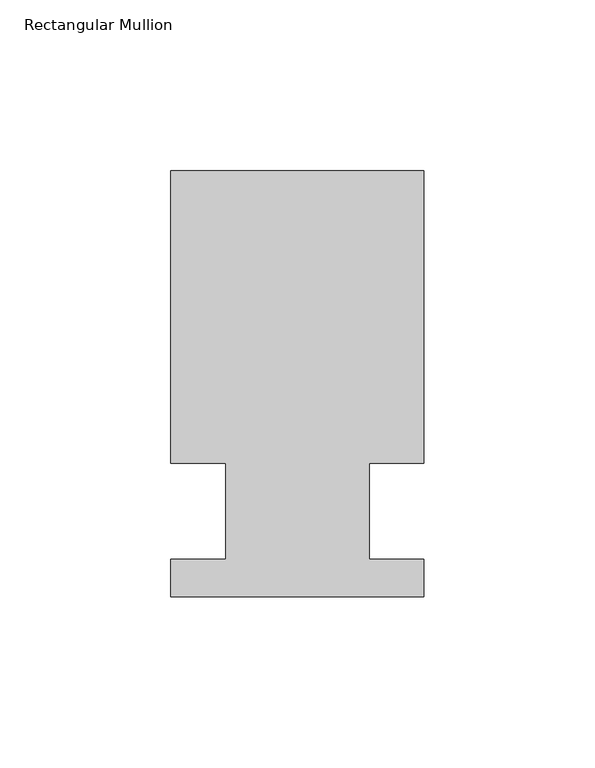
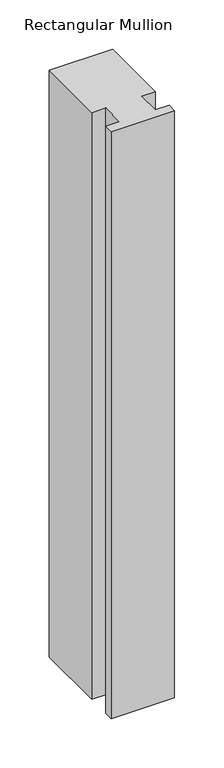
"""IFC4 building model written with IfcOpenShell, lengths in millimetres: member geometry, Rectangular Mullion."""

from ifc_helpers import new_model, si_unit, frame, origin, place, context, project, spatial, polyline, outline, extrude, source, transform, mapped, element, save


def rectangular_mullion_e78c825c(model_context):
    return source(origin(), model_context, "Body", "SweptSolid", [
        extrude(outline(polyline([(-20.9800745, 13.9998907), (-37.0, 13.9998907), (-37.0, 99.5), (37.0, 99.5), (37.0, 13.9998907), (20.9800745, 13.9998907), (20.9800745, -14.0), (36.9800745, -14.0), (36.9800745, -25.0), (-37.0, -25.0), (-37.0, -14.0), (-20.9800745, -14.0), (-20.9800745, 13.9998907)])), frame((0.0, 0.0, -724.000019), z_axis=(0.0, 0.0, 1.0), x_axis=(1.0, 0.0, 0.0)), (0.0, 0.0, 1.0), 724.000019),
    ])


if __name__ == "__main__":
    model = new_model("IFC4")
    model_context = context("Model", 3, world=origin())
    ifc_project = project(units=[si_unit("LENGTHUNIT", "METRE", prefix="MILLI")], contexts=[model_context])
    site = spatial("IfcSite", under=ifc_project)
    building = spatial("IfcBuilding", under=site)
    placement = place(None, origin())
    rectangular_mullion_shape = rectangular_mullion_e78c825c(model_context)
    element("IfcMember", 1, ObjectType="Rectangular Mullion", at=placement, inside=building, context=model_context, shape_type="MappedRepresentation", body=[
        mapped(rectangular_mullion_shape, transform((0.0, 0.0, 0.0), x_axis=(1.0, 0.0, 0.0), y_axis=(0.0, 1.0, 0.0), z_axis=(0.0, 0.0, 1.0))),
    ])
    save(model, "model.ifc")
